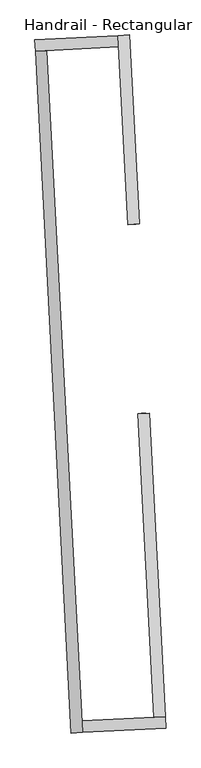
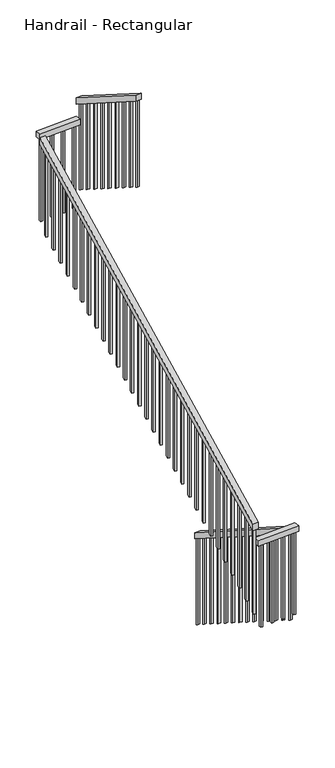
"""IFC4 building model written with IfcOpenShell, lengths in millimetres: railing geometry, Handrail - Rectangular."""

from ifc_helpers import new_model, si_unit, frame, origin, place, context, project, spatial, polyline, outline, extrude, source, transform, mapped, element, save


def handrail_rectangular_6b8db900(model_context):
    return source(origin(), model_context, "Body", "SweptSolid", [
        extrude(outline(polyline([(31.4876033, -50.8), (0.0, 0.0), (1583.8287973, 0.0), (1615.3164005, -50.8), (31.4876033, -50.8)])), frame((-4847.2097728, -27102.8720969, 1027.8146938), z_axis=(0.9986295347545738, 0.05233595624294767, 0.0), x_axis=(0.04448376264967983, -0.8488007555029387, 0.526838184187676)), (0.0, 0.0, 1.0), 50.8),
        extrude(outline(polyline([(-4726.0247282, -28444.56851), (-4723.3660616, -28495.2988904), (-5092.9836127, -28514.6697254), (-5095.6422792, -28463.939345), (-4726.0247282, -28444.56851)])), frame((0.0, 0.0, 1902.6909091), z_axis=(0.0, 0.0, 1.0), x_axis=(1.0, 0.0, 0.0)), (0.0, 0.0, 1.0), 50.8),
        extrude(outline(polyline([(-31.4876033, -50.8000001), (0.0, 0.0), (3556.1439033, 0.0), (3524.6562999, -50.8000001), (-31.4876033, -50.8000001)])), frame((-5143.713993, -28517.328392, 2126.6727273), z_axis=(0.9986295347545737, 0.05233595624294628, 0.0), x_axis=(-0.044483762649678675, 0.8488007555029379, 0.5268381841876772)), (0.0, 0.0, 1.0), 50.8),
        extrude(outline(polyline([(-5301.9046544, -25498.8707602), (-5304.5633209, -25448.1403799), (-4934.9457699, -25428.7695448), (-4932.2871033, -25479.4999252), (-5301.9046544, -25498.8707602)])), frame((0.0, 0.0, 3980.8727273), z_axis=(0.0, 0.0, 1.0), x_axis=(1.0, 0.0, 0.0)), (0.0, 0.0, 1.0), 50.8),
        extrude(outline(polyline([(31.4876033, -50.8000001), (0.0, 0.0), (986.1575531, 0.0), (1017.6451564, -50.8), (31.4876033, -50.8000001)])), frame((-4934.9457699, -25428.7695448, 4145.087421), z_axis=(0.9986295347545738, 0.05233595624294661, 0.0), x_axis=(0.04448376264967897, -0.8488007555029359, 0.5268381841876804)), (0.0, 0.0, 1.0), 50.8),
        extrude(outline(polyline([(222.6960744, -19.05), (234.5039257, 0.0), (1048.9045305, 0.0), (1037.0966792, -19.05), (222.6960744, -19.05)])), frame((-4881.0403606, -26154.0172805, 4830.257669), z_axis=(0.9986295347545738, 0.052335956242946104, 0.0), x_axis=(0.0, 0.0, -1.0)), (0.0, 0.0, 1.0), 19.05),
        extrude(outline(polyline([(222.6960744, -19.05), (234.5039257, 0.0), (1048.9045305, 0.0), (1037.0966792, -19.05), (222.6960744, -19.05)])), frame((-4886.3576938, -26052.5565198, 4767.2824624), z_axis=(0.9986295347545738, 0.052335956242946104, 0.0), x_axis=(0.0, 0.0, -1.0)), (0.0, 0.0, 1.0), 19.05),
        extrude(outline(polyline([(222.6960743, -19.0500001), (234.5039256, 0.0), (1048.9045304, 0.0), (1037.0966791, -19.0500001), (222.6960743, -19.0500001)])), frame((-4891.6750269, -25951.095759, 4704.3072557), z_axis=(0.9986295347545738, 0.052335956242946104, 0.0), x_axis=(0.0, 0.0, -1.0)), (0.0, 0.0, 1.0), 19.05),
        extrude(outline(polyline([(222.6960744, -19.0500001), (234.5039256, 0.0), (1048.9045304, 0.0), (1037.0966792, -19.0500001), (222.6960744, -19.0500001)])), frame((-4896.9923601, -25849.6349983, 4641.3320491), z_axis=(0.9986295347545738, 0.052335956242946104, 0.0), x_axis=(0.0, 0.0, -1.0)), (0.0, 0.0, 1.0), 19.05),
        extrude(outline(polyline([(222.6960744, -19.05), (234.5039256, 0.0), (1048.9045304, 0.0), (1037.0966792, -19.05), (222.6960744, -19.05)])), frame((-4902.3096932, -25748.1742376, 4578.3568425), z_axis=(0.9986295347545738, 0.052335956242946104, 0.0), x_axis=(0.0, 0.0, -1.0)), (0.0, 0.0, 1.0), 19.05),
        extrude(outline(polyline([(222.6960744, -19.05), (234.5039256, 0.0), (1048.9045304, 0.0), (1037.0966792, -19.05), (222.6960744, -19.05)])), frame((-4907.6270264, -25646.7134769, 4515.3816359), z_axis=(0.9986295347545738, 0.052335956242946104, 0.0), x_axis=(0.0, 0.0, -1.0)), (0.0, 0.0, 1.0), 19.05),
        extrude(outline(polyline([(222.6960744, -19.0500001), (234.5039256, 0.0), (1048.9045304, 0.0), (1037.0966792, -19.0500001), (222.6960744, -19.0500001)])), frame((-4912.9443595, -25545.2527161, 4452.4064293), z_axis=(0.9986295347545738, 0.052335956242946104, 0.0), x_axis=(0.0, 0.0, -1.0)), (0.0, 0.0, 1.0), 19.05),
        extrude(outline(polyline([(-4982.4999616, -25466.2346836), (-4983.4969616, -25447.210791), (-4964.4730689, -25446.213791), (-4963.476069, -25465.2376836), (-4982.4999616, -25466.2346836)])), frame((0.0, 0.0, 3193.4727273), z_axis=(0.0, 0.0, 1.0), x_axis=(1.0, 0.0, 0.0)), (0.0, 0.0, 1.0), 787.4),
        extrude(outline(polyline([(-5083.9607223, -25471.5520168), (-5084.9577223, -25452.5281241), (-5065.9338297, -25451.5311242), (-5064.9368297, -25470.5550168), (-5083.9607223, -25471.5520168)])), frame((0.0, 0.0, 3193.4727273), z_axis=(0.0, 0.0, 1.0), x_axis=(1.0, 0.0, 0.0)), (0.0, 0.0, 1.0), 787.4),
        extrude(outline(polyline([(-5185.4214831, -25476.8693499), (-5186.418483, -25457.8454573), (-5167.3945904, -25456.8484573), (-5166.3975904, -25475.8723499), (-5185.4214831, -25476.8693499)])), frame((0.0, 0.0, 3193.4727273), z_axis=(0.0, 0.0, 1.0), x_axis=(1.0, 0.0, 0.0)), (0.0, 0.0, 1.0), 787.4),
        extrude(outline(polyline([(234.5039256, -19.05), (222.6960743, 0.0), (1037.0966792, 0.0), (1048.9045304, -19.05), (234.5039256, -19.05)])), frame((-5283.8912439, -25539.258361, 4137.5303962), z_axis=(0.9986295347545738, 0.052335956242946104, 0.0), x_axis=(0.0, 0.0, -1.0)), (0.0, 0.0, 1.0), 19.05),
        extrude(outline(polyline([(234.5039256, -19.05), (222.6960744, 0.0), (1037.0966792, 0.0), (1048.9045304, -19.05), (234.5039256, -19.05)])), frame((-5278.5739108, -25640.7191217, 4074.5551896), z_axis=(0.9986295347545738, 0.052335956242946104, 0.0), x_axis=(0.0, 0.0, -1.0)), (0.0, 0.0, 1.0), 19.05),
        extrude(outline(polyline([(234.5039256, -19.0500001), (222.6960744, 0.0), (1037.0966792, 0.0), (1048.9045304, -19.0500001), (234.5039256, -19.0500001)])), frame((-5273.2565776, -25742.1798824, 4011.579983), z_axis=(0.9986295347545738, 0.052335956242946104, 0.0), x_axis=(0.0, 0.0, -1.0)), (0.0, 0.0, 1.0), 19.05),
        extrude(outline(polyline([(234.5039256, -19.05), (222.6960744, 0.0), (1037.0966792, 0.0), (1048.9045304, -19.05), (234.5039256, -19.05)])), frame((-5267.9392444, -25843.6406432, 3948.6047764), z_axis=(0.9986295347545738, 0.052335956242946104, 0.0), x_axis=(0.0, 0.0, -1.0)), (0.0, 0.0, 1.0), 19.05),
        extrude(outline(polyline([(234.5039256, -19.05), (222.6960744, 0.0), (1037.0966792, 0.0), (1048.9045304, -19.05), (234.5039256, -19.05)])), frame((-5262.6219113, -25945.1014039, 3885.6295698), z_axis=(0.9986295347545738, 0.052335956242946104, 0.0), x_axis=(0.0, 0.0, -1.0)), (0.0, 0.0, 1.0), 19.05),
        extrude(outline(polyline([(234.5039256, -19.0500001), (222.6960744, 0.0), (1037.0966792, 0.0), (1048.9045304, -19.0500001), (234.5039256, -19.0500001)])), frame((-5257.3045781, -26046.5621646, 3822.6543632), z_axis=(0.9986295347545738, 0.052335956242946104, 0.0), x_axis=(0.0, 0.0, -1.0)), (0.0, 0.0, 1.0), 19.05),
        extrude(outline(polyline([(234.5039257, -19.05), (222.6960744, 0.0), (1037.0966792, 0.0), (1048.9045305, -19.05), (234.5039257, -19.05)])), frame((-5251.987245, -26148.0229254, 3759.6791566), z_axis=(0.9986295347545738, 0.052335956242946104, 0.0), x_axis=(0.0, 0.0, -1.0)), (0.0, 0.0, 1.0), 19.05),
        extrude(outline(polyline([(234.5039257, -19.05), (222.6960744, 0.0), (1037.0966792, 0.0), (1048.9045305, -19.05), (234.5039257, -19.05)])), frame((-5246.6699118, -26249.4836861, 3696.70395), z_axis=(0.9986295347545738, 0.052335956242946104, 0.0), x_axis=(0.0, 0.0, -1.0)), (0.0, 0.0, 1.0), 19.05),
        extrude(outline(polyline([(234.5039256, -19.0500001), (222.6960743, 0.0), (1037.0966791, 0.0), (1048.9045304, -19.0500001), (234.5039256, -19.0500001)])), frame((-5241.3525787, -26350.9444468, 3633.7287433), z_axis=(0.9986295347545738, 0.052335956242946104, 0.0), x_axis=(0.0, 0.0, -1.0)), (0.0, 0.0, 1.0), 19.05),
        extrude(outline(polyline([(234.5039256, -19.05), (222.6960743, 0.0), (1037.0966792, 0.0), (1048.9045304, -19.05), (234.5039256, -19.05)])), frame((-5236.0352455, -26452.4052076, 3570.7535367), z_axis=(0.9986295347545738, 0.052335956242946104, 0.0), x_axis=(0.0, 0.0, -1.0)), (0.0, 0.0, 1.0), 19.05),
        extrude(outline(polyline([(234.5039256, -19.05), (222.6960744, 0.0), (1037.0966792, 0.0), (1048.9045304, -19.05), (234.5039256, -19.05)])), frame((-5230.7179124, -26553.8659683, 3507.7783301), z_axis=(0.9986295347545738, 0.052335956242946104, 0.0), x_axis=(0.0, 0.0, -1.0)), (0.0, 0.0, 1.0), 19.05),
        extrude(outline(polyline([(234.5039256, -19.0500001), (222.6960744, 0.0), (1037.0966792, 0.0), (1048.9045304, -19.0500001), (234.5039256, -19.0500001)])), frame((-5225.4005792, -26655.326729, 3444.8031235), z_axis=(0.9986295347545738, 0.052335956242946104, 0.0), x_axis=(0.0, 0.0, -1.0)), (0.0, 0.0, 1.0), 19.05),
        extrude(outline(polyline([(234.5039256, -19.0500001), (222.6960744, 0.0), (1037.0966792, 0.0), (1048.9045304, -19.0500001), (234.5039256, -19.0500001)])), frame((-5220.0832461, -26756.7874897, 3381.8279169), z_axis=(0.9986295347545738, 0.052335956242946104, 0.0), x_axis=(0.0, 0.0, -1.0)), (0.0, 0.0, 1.0), 19.05),
        extrude(outline(polyline([(234.5039256, -19.05), (222.6960744, 0.0), (1037.0966792, 0.0), (1048.9045304, -19.05), (234.5039256, -19.05)])), frame((-5214.7659129, -26858.2482505, 3318.8527103), z_axis=(0.9986295347545738, 0.052335956242946104, 0.0), x_axis=(0.0, 0.0, -1.0)), (0.0, 0.0, 1.0), 19.05),
        extrude(outline(polyline([(234.5039256, -19.05), (222.6960744, 0.0), (1037.0966792, 0.0), (1048.9045305, -19.05), (234.5039256, -19.05)])), frame((-5209.4485798, -26959.7090112, 3255.8775037), z_axis=(0.9986295347545738, 0.052335956242946104, 0.0), x_axis=(0.0, 0.0, -1.0)), (0.0, 0.0, 1.0), 19.05),
        extrude(outline(polyline([(234.5039257, -19.0500001), (222.6960744, 0.0), (1037.0966792, 0.0), (1048.9045305, -19.0500001), (234.5039257, -19.0500001)])), frame((-5204.1312466, -27061.1697719, 3192.9022971), z_axis=(0.9986295347545738, 0.052335956242946104, 0.0), x_axis=(0.0, 0.0, -1.0)), (0.0, 0.0, 1.0), 19.05),
        extrude(outline(polyline([(234.5039257, -19.05), (222.6960744, 0.0), (1037.0966792, 0.0), (1048.9045305, -19.05), (234.5039257, -19.05)])), frame((-5198.8139134, -27162.6305327, 3129.9270905), z_axis=(0.9986295347545738, 0.052335956242946104, 0.0), x_axis=(0.0, 0.0, -1.0)), (0.0, 0.0, 1.0), 19.05),
        extrude(outline(polyline([(234.5039256, -19.05), (222.6960743, 0.0), (1037.0966791, 0.0), (1048.9045304, -19.05), (234.5039256, -19.05)])), frame((-5193.4965803, -27264.0912934, 3066.9518838), z_axis=(0.9986295347545738, 0.052335956242946104, 0.0), x_axis=(0.0, 0.0, -1.0)), (0.0, 0.0, 1.0), 19.05),
        extrude(outline(polyline([(234.5039256, -19.0500001), (222.6960744, 0.0), (1037.0966792, 0.0), (1048.9045304, -19.0500001), (234.5039256, -19.0500001)])), frame((-5188.1792471, -27365.5520541, 3003.9766772), z_axis=(0.9986295347545738, 0.052335956242946104, 0.0), x_axis=(0.0, 0.0, -1.0)), (0.0, 0.0, 1.0), 19.05),
        extrude(outline(polyline([(234.5039256, -19.05), (222.6960744, 0.0), (1037.0966792, 0.0), (1048.9045304, -19.05), (234.5039256, -19.05)])), frame((-5182.861914, -27467.0128149, 2941.0014706), z_axis=(0.9986295347545738, 0.052335956242946104, 0.0), x_axis=(0.0, 0.0, -1.0)), (0.0, 0.0, 1.0), 19.05),
        extrude(outline(polyline([(234.5039256, -19.05), (222.6960744, 0.0), (1037.0966792, 0.0), (1048.9045304, -19.05), (234.5039256, -19.05)])), frame((-5177.5445808, -27568.4735756, 2878.026264), z_axis=(0.9986295347545738, 0.052335956242946104, 0.0), x_axis=(0.0, 0.0, -1.0)), (0.0, 0.0, 1.0), 19.05),
        extrude(outline(polyline([(234.5039256, -19.0500001), (222.6960744, 0.0), (1037.0966792, 0.0), (1048.9045304, -19.0500001), (234.5039256, -19.0500001)])), frame((-5172.2272477, -27669.9343363, 2815.0510574), z_axis=(0.9986295347545738, 0.052335956242946104, 0.0), x_axis=(0.0, 0.0, -1.0)), (0.0, 0.0, 1.0), 19.05),
        extrude(outline(polyline([(234.5039256, -19.05), (222.6960744, 0.0), (1037.0966792, 0.0), (1048.9045304, -19.05), (234.5039256, -19.05)])), frame((-5166.9099145, -27771.3950971, 2752.0758508), z_axis=(0.9986295347545738, 0.052335956242946104, 0.0), x_axis=(0.0, 0.0, -1.0)), (0.0, 0.0, 1.0), 19.05),
        extrude(outline(polyline([(234.5039256, -19.05), (222.6960744, 0.0), (1037.0966792, 0.0), (1048.9045305, -19.05), (234.5039256, -19.05)])), frame((-5161.5925814, -27872.8558578, 2689.1006442), z_axis=(0.9986295347545738, 0.052335956242946104, 0.0), x_axis=(0.0, 0.0, -1.0)), (0.0, 0.0, 1.0), 19.05),
        extrude(outline(polyline([(234.5039257, -19.0500001), (222.6960744, 0.0), (1037.0966792, 0.0), (1048.9045305, -19.0500001), (234.5039257, -19.0500001)])), frame((-5156.2752482, -27974.3166185, 2626.1254376), z_axis=(0.9986295347545738, 0.052335956242946104, 0.0), x_axis=(0.0, 0.0, -1.0)), (0.0, 0.0, 1.0), 19.05),
        extrude(outline(polyline([(234.5039256, -19.05), (222.6960743, 0.0), (1037.0966791, 0.0), (1048.9045304, -19.05), (234.5039256, -19.05)])), frame((-5150.9579151, -28075.7773793, 2563.1502309), z_axis=(0.9986295347545738, 0.052335956242946104, 0.0), x_axis=(0.0, 0.0, -1.0)), (0.0, 0.0, 1.0), 19.05),
        extrude(outline(polyline([(234.5039256, -19.05), (222.6960743, 0.0), (1037.0966792, 0.0), (1048.9045304, -19.05), (234.5039256, -19.05)])), frame((-5145.6405819, -28177.23814, 2500.1750243), z_axis=(0.9986295347545738, 0.052335956242946104, 0.0), x_axis=(0.0, 0.0, -1.0)), (0.0, 0.0, 1.0), 19.05),
        extrude(outline(polyline([(234.5039256, -19.05), (222.6960744, 0.0), (1037.0966792, 0.0), (1048.9045304, -19.05), (234.5039256, -19.05)])), frame((-5140.3232487, -28278.6989007, 2437.1998177), z_axis=(0.9986295347545738, 0.052335956242946104, 0.0), x_axis=(0.0, 0.0, -1.0)), (0.0, 0.0, 1.0), 19.05),
        extrude(outline(polyline([(234.5039256, -19.0500001), (222.6960744, 0.0), (1037.0966792, 0.0), (1048.9045304, -19.0500001), (234.5039256, -19.0500001)])), frame((-5135.0059156, -28380.1596614, 2374.2246111), z_axis=(0.9986295347545738, 0.052335956242946104, 0.0), x_axis=(0.0, 0.0, -1.0)), (0.0, 0.0, 1.0), 19.05),
        extrude(outline(polyline([(-5045.4294209, -28477.2045866), (-5044.4324209, -28496.2284793), (-5063.4563136, -28497.2254792), (-5064.4533135, -28478.2015866), (-5045.4294209, -28477.2045866)])), frame((0.0, 0.0, 1115.2909091), z_axis=(0.0, 0.0, 1.0), x_axis=(1.0, 0.0, 0.0)), (0.0, 0.0, 1.0), 787.4),
        extrude(outline(polyline([(-4943.9686602, -28471.8872535), (-4942.9716602, -28490.9111461), (-4961.9955528, -28491.9081461), (-4962.9925528, -28472.8842534), (-4943.9686602, -28471.8872535)])), frame((0.0, 0.0, 1115.2909091), z_axis=(0.0, 0.0, 1.0), x_axis=(1.0, 0.0, 0.0)), (0.0, 0.0, 1.0), 787.4),
        extrude(outline(polyline([(-4842.5078994, -28466.5699203), (-4841.5108995, -28485.593813), (-4860.5347921, -28486.5908129), (-4861.5317921, -28467.5669203), (-4842.5078994, -28466.5699203)])), frame((0.0, 0.0, 1115.2909091), z_axis=(0.0, 0.0, 1.0), x_axis=(1.0, 0.0, 0.0)), (0.0, 0.0, 1.0), 787.4),
        extrude(outline(polyline([(222.6960744, -19.05), (234.5039256, 0.0), (1048.9045304, 0.0), (1037.0966792, -19.05), (222.6960744, -19.05)])), frame((-4762.7296979, -28411.5192068, 2075.0923797), z_axis=(0.9986295347545737, 0.05233595624294803, 0.0), x_axis=(0.0, 0.0, -1.0)), (0.0, 0.0, 1.0), 19.05),
        extrude(outline(polyline([(222.6960744, -19.0500001), (234.5039256, 0.0), (1048.9045304, 0.0), (1037.0966792, -19.0500001), (222.6960744, -19.0500001)])), frame((-4768.0470311, -28310.058446, 2012.1171731), z_axis=(0.9986295347545737, 0.05233595624294803, 0.0), x_axis=(0.0, 0.0, -1.0)), (0.0, 0.0, 1.0), 19.05),
        extrude(outline(polyline([(222.6960744, -19.05), (234.5039256, 0.0), (1048.9045304, 0.0), (1037.0966792, -19.05), (222.6960744, -19.05)])), frame((-4773.3643642, -28208.5976853, 1949.1419665), z_axis=(0.9986295347545737, 0.05233595624294803, 0.0), x_axis=(0.0, 0.0, -1.0)), (0.0, 0.0, 1.0), 19.05),
        extrude(outline(polyline([(222.6960744, -19.05), (234.5039256, 0.0), (1048.9045305, 0.0), (1037.0966792, -19.05), (222.6960744, -19.05)])), frame((-4778.6816974, -28107.1369246, 1886.1667599), z_axis=(0.9986295347545737, 0.05233595624294803, 0.0), x_axis=(0.0, 0.0, -1.0)), (0.0, 0.0, 1.0), 19.05),
        extrude(outline(polyline([(222.6960744, -19.0500001), (234.5039257, 0.0), (1048.9045305, 0.0), (1037.0966792, -19.0500001), (222.6960744, -19.0500001)])), frame((-4783.9990305, -28005.6761638, 1823.1915533), z_axis=(0.9986295347545737, 0.05233595624294803, 0.0), x_axis=(0.0, 0.0, -1.0)), (0.0, 0.0, 1.0), 19.05),
        extrude(outline(polyline([(222.6960744, -19.0500001), (234.5039257, 0.0), (1048.9045305, 0.0), (1037.0966792, -19.0500001), (222.6960744, -19.0500001)])), frame((-4789.3163637, -27904.2154031, 1760.2163467), z_axis=(0.9986295347545737, 0.05233595624294803, 0.0), x_axis=(0.0, 0.0, -1.0)), (0.0, 0.0, 1.0), 19.05),
        extrude(outline(polyline([(222.6960743, -19.05), (234.5039256, 0.0), (1048.9045304, 0.0), (1037.0966792, -19.05), (222.6960743, -19.05)])), frame((-4794.6336969, -27802.7546424, 1697.24114), z_axis=(0.9986295347545737, 0.05233595624294803, 0.0), x_axis=(0.0, 0.0, -1.0)), (0.0, 0.0, 1.0), 19.05),
        extrude(outline(polyline([(222.6960744, -19.05), (234.5039256, 0.0), (1048.9045304, 0.0), (1037.0966792, -19.05), (222.6960744, -19.05)])), frame((-4799.95103, -27701.2938817, 1634.2659334), z_axis=(0.9986295347545737, 0.05233595624294803, 0.0), x_axis=(0.0, 0.0, -1.0)), (0.0, 0.0, 1.0), 19.05),
        extrude(outline(polyline([(222.6960744, -19.0500001), (234.5039256, 0.0), (1048.9045304, 0.0), (1037.0966792, -19.0500001), (222.6960744, -19.0500001)])), frame((-4805.2683632, -27599.8331209, 1571.2907268), z_axis=(0.9986295347545737, 0.05233595624294803, 0.0), x_axis=(0.0, 0.0, -1.0)), (0.0, 0.0, 1.0), 19.05),
        extrude(outline(polyline([(222.6960744, -19.05), (234.5039256, 0.0), (1048.9045304, 0.0), (1037.0966792, -19.05), (222.6960744, -19.05)])), frame((-4810.5856963, -27498.3723602, 1508.3155202), z_axis=(0.9986295347545737, 0.05233595624294803, 0.0), x_axis=(0.0, 0.0, -1.0)), (0.0, 0.0, 1.0), 19.05),
        extrude(outline(polyline([(222.6960744, -19.05), (234.5039256, 0.0), (1048.9045304, 0.0), (1037.0966792, -19.05), (222.6960744, -19.05)])), frame((-4815.9030295, -27396.9115995, 1445.3403136), z_axis=(0.9986295347545737, 0.05233595624294803, 0.0), x_axis=(0.0, 0.0, -1.0)), (0.0, 0.0, 1.0), 19.05),
        extrude(outline(polyline([(222.6960744, -19.0500001), (234.5039256, 0.0), (1048.9045304, 0.0), (1037.0966792, -19.0500001), (222.6960744, -19.0500001)])), frame((-4821.2203626, -27295.4508387, 1382.365107), z_axis=(0.9986295347545737, 0.05233595624294803, 0.0), x_axis=(0.0, 0.0, -1.0)), (0.0, 0.0, 1.0), 19.05),
        extrude(outline(polyline([(222.6960744, -19.05), (234.5039257, 0.0), (1048.9045305, 0.0), (1037.0966792, -19.05), (222.6960744, -19.05)])), frame((-4826.5376958, -27193.990078, 1319.3899004), z_axis=(0.9986295347545737, 0.05233595624294803, 0.0), x_axis=(0.0, 0.0, -1.0)), (0.0, 0.0, 1.0), 19.05),
        extrude(outline(polyline([(222.6960744, -19.05), (234.5039256, 0.0), (1048.9045304, 0.0), (1037.0966792, -19.05), (222.6960744, -19.05)])), frame((-4918.2616927, -25443.7919554, 4389.4312227), z_axis=(0.9986295347545738, 0.052335956242946104, 0.0), x_axis=(0.0, 0.0, -1.0)), (0.0, 0.0, 1.0), 19.05),
        extrude(outline(polyline([(-5286.8822438, -25482.1866831), (-5287.8792438, -25463.1627904), (-5268.8553511, -25462.1657905), (-5267.8583512, -25481.1896831), (-5286.8822438, -25482.1866831)])), frame((0.0, 0.0, 3193.4727273), z_axis=(0.0, 0.0, 1.0), x_axis=(1.0, 0.0, 0.0)), (0.0, 0.0, 1.0), 787.4),
        extrude(outline(polyline([(234.5039256, -19.05), (222.6960744, 0.0), (1037.0966792, 0.0), (1048.9045304, -19.05), (234.5039256, -19.05)])), frame((-5129.6885824, -28481.6204222, 2311.2494045), z_axis=(0.9986295347545738, 0.052335956242946104, 0.0), x_axis=(0.0, 0.0, -1.0)), (0.0, 0.0, 1.0), 19.05),
        extrude(outline(polyline([(-4741.0471387, -28461.2525872), (-4740.0501387, -28480.2764798), (-4759.0740314, -28481.2734798), (-4760.0710313, -28462.2495871), (-4741.0471387, -28461.2525872)])), frame((0.0, 0.0, 1115.2909091), z_axis=(0.0, 0.0, 1.0), x_axis=(1.0, 0.0, 0.0)), (0.0, 0.0, 1.0), 787.4),
        extrude(outline(polyline([(222.6960744, -19.0500001), (234.5039257, 0.0), (1048.9045305, 0.0), (1037.0966792, -19.0500001), (222.6960744, -19.0500001)])), frame((-4876.2215274, -26245.9660949, 4887.32895), z_axis=(0.9986295347545738, 0.052335956242946104, 0.0), x_axis=(0.0, 0.0, -1.0)), (0.0, 0.0, 1.0), 19.05),
        extrude(outline(polyline([(222.6960744, -19.05), (234.5039256, 0.0), (1048.9045305, 0.0), (1037.0966792, -19.05), (222.6960744, -19.05)])), frame((-4831.3565289, -27102.0412636, 1262.3186194), z_axis=(0.9986295347545737, 0.05233595624294803, 0.0), x_axis=(0.0, 0.0, -1.0)), (0.0, 0.0, 1.0), 19.05),
    ])


if __name__ == "__main__":
    model = new_model("IFC4")
    model_context = context("Model", 3, world=origin())
    ifc_project = project(units=[si_unit("LENGTHUNIT", "METRE", prefix="MILLI")], contexts=[model_context])
    site = spatial("IfcSite", under=ifc_project)
    building = spatial("IfcBuilding", under=site)
    placement = place(None, origin())
    handrail_rectangular_shape = handrail_rectangular_6b8db900(model_context)
    element("IfcRailing", 1, ObjectType="Handrail - Rectangular", at=placement, inside=building, context=model_context, shape_type="MappedRepresentation", body=[
        mapped(handrail_rectangular_shape, transform((0.0, 0.0, 0.0), x_axis=(1.0, 0.0, 0.0), y_axis=(0.0, 1.0, 0.0), z_axis=(0.0, 0.0, 1.0))),
    ])
    save(model, "model.ifc")
